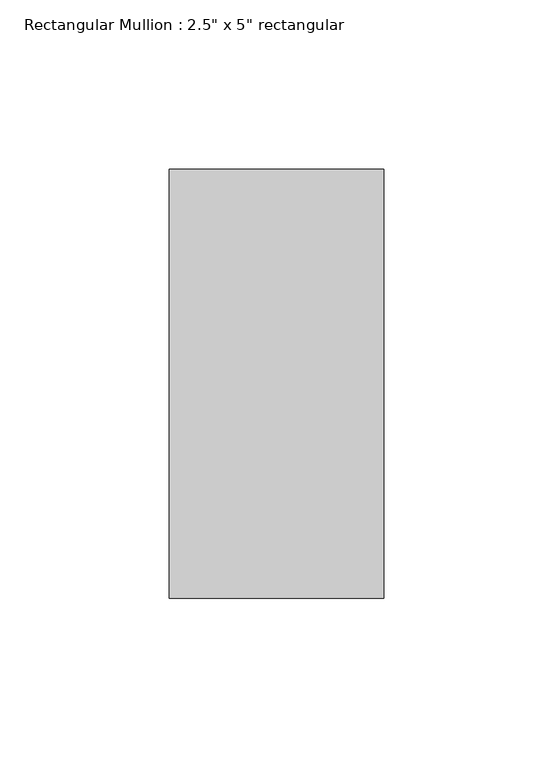
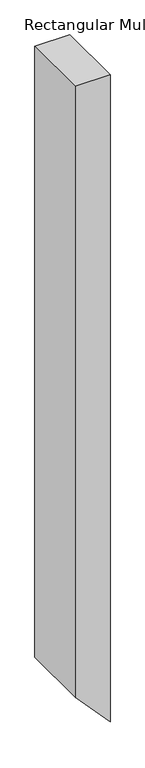
"""IFC4 building model written with IfcOpenShell, lengths in millimetres: member geometry."""

from ifc_helpers import new_model, si_unit, frame, origin, place, context, project, spatial, polyline, outline, extrude, source, transform, mapped, element, save


def member_3f998b80(model_context):
    return source(origin(), model_context, "Body", "SweptSolid", [
        extrude(outline(polyline([(0.0, 0.0), (0.0, -63.5), (-1176.9801083, -63.5), (-1245.6953034, 0.0), (0.0, 0.0)])), frame((0.0, -63.5, 0.0), z_axis=(0.0, 1.0, 0.0), x_axis=(0.0, 0.0, 1.0)), (0.0, 0.0, 1.0), 127.0),
    ])


if __name__ == "__main__":
    model = new_model("IFC4")
    model_context = context("Model", 3, world=origin())
    ifc_project = project(units=[si_unit("LENGTHUNIT", "METRE", prefix="MILLI")], contexts=[model_context])
    site = spatial("IfcSite", under=ifc_project)
    building = spatial("IfcBuilding", under=site)
    placement = place(None, origin())
    member_shape = member_3f998b80(model_context)
    element("IfcMember", 1, ObjectType="Rectangular Mullion : 2.5\" x 5\" rectangular", at=placement, inside=building, context=model_context, shape_type="MappedRepresentation", body=[
        mapped(member_shape, transform((0.0, 0.0, 0.0), x_axis=(1.0, 0.0, 0.0), y_axis=(0.0, 1.0, 0.0), z_axis=(0.0, 0.0, 1.0))),
    ])
    save(model, "model.ifc")
